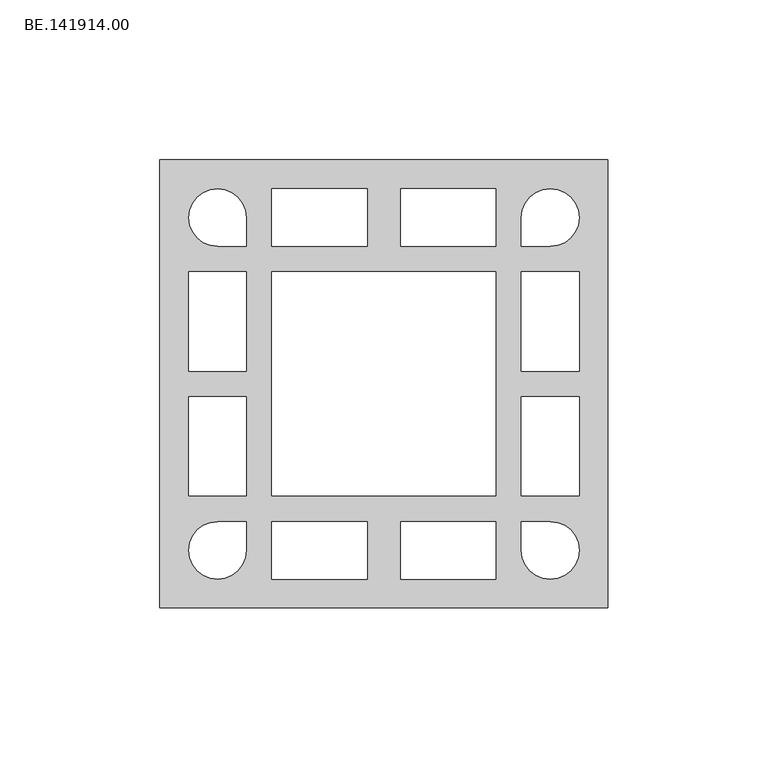
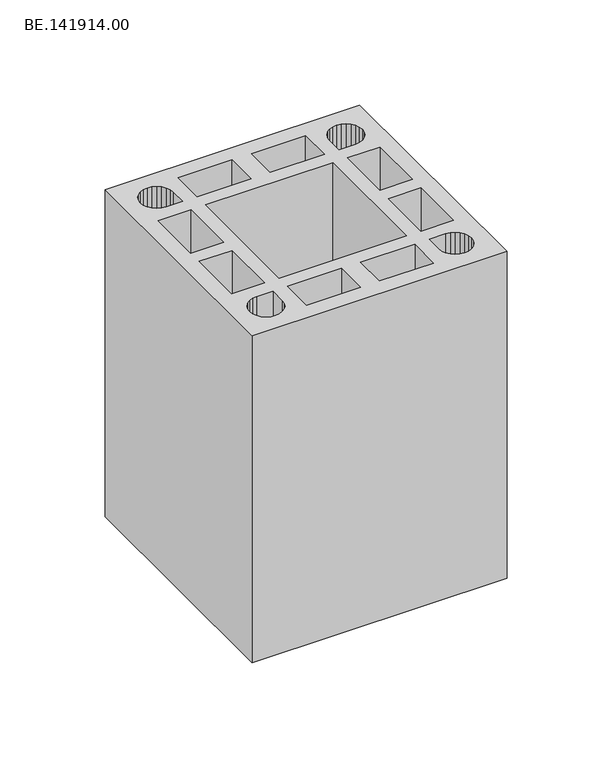
"""IFC4 building model written with IfcOpenShell, lengths in millimetres: proxy geometry, BE.141914.00."""

from ifc_helpers import new_model, si_unit, origin, origin_with_axes, place, context, project, spatial, polyline, outline, extrude, source, transform, mapped, element, save


def be_141914_00_67c03ddb(model_context):
    return source(origin(), model_context, "Body", "SweptSolid", [
        extrude(outline(polyline([(145.0, 70.0050293), (145.0, -70.0050293), (5.0, -70.0050293), (5.0, 70.0050293), (145.0, 70.0050293)]), holes=[polyline([(29.352002, 58.3592285), (27.4916504, 59.7916992), (25.3150391, 60.7032715), (22.9895996, 61.0009277), (20.6641602, 60.7032715), (18.4875488, 59.7916992), (16.6271973, 58.3592285), (15.1947266, 56.498877), (14.3017578, 54.3408691), (13.985498, 51.9968262), (14.3017578, 49.6713867), (15.1947266, 47.4947754), (16.6271973, 45.6344238), (18.4875488, 44.2019531), (20.6641602, 43.3089844), (22.9895996, 43.0113281), (31.9937012, 43.0113281), (31.9937012, 51.9968262), (31.6774414, 54.3408691), (30.7844727, 56.498877), (29.352002, 58.3592285)]), polyline([(69.7402344, 61.0009277), (39.9932129, 61.0009277), (39.9932129, 43.0113281), (69.7402344, 43.0113281), (69.7402344, 61.0009277)]), polyline([(110.0, 61.0009277), (80.2529785, 61.0009277), (80.2529785, 43.0113281), (110.0, 43.0113281), (110.0, 61.0009277)]), polyline([(119.1885254, 56.498877), (118.2955566, 54.3408691), (117.9979004, 51.9968262), (117.9979004, 43.0113281), (126.9833984, 43.0113281), (129.3274414, 43.3089844), (131.4854492, 44.2019531), (133.3458008, 45.6344238), (134.7782715, 47.4947754), (135.6898438, 49.6713867), (135.9875, 51.9968262), (135.6898438, 54.3408691), (134.7782715, 56.498877), (133.3458008, 58.3592285), (131.4854492, 59.7916992), (129.3274414, 60.7032715), (126.9833984, 61.0009277), (124.657959, 60.7032715), (122.4999512, 59.7916992), (120.6209961, 58.3592285), (119.1885254, 56.498877)]), polyline([(110.0, 35.0118164), (39.9932129, 35.0118164), (39.9932129, -34.9932129), (110.0, -34.9932129), (110.0, 35.0118164)]), polyline([(117.9979004, 35.0118164), (117.9979004, 3.9997559), (135.9875, 3.9997559), (135.9875, 35.0118164), (117.9979004, 35.0118164)]), polyline([(29.352002, -58.3592285), (30.7844727, -56.498877), (31.6774414, -54.3408691), (31.9937012, -51.9968262), (31.9937012, -43.0113281), (22.9895996, -43.0113281), (20.6641602, -43.3089844), (18.4875488, -44.2019531), (16.6271973, -45.6344238), (15.1947266, -47.4947754), (14.3017578, -49.6713867), (13.985498, -51.9968262), (14.3017578, -54.3408691), (15.1947266, -56.498877), (16.6271973, -58.3592285), (18.4875488, -59.7916992), (20.6641602, -60.7032715), (22.9895996, -61.0009277), (25.3150391, -60.7032715), (27.4916504, -59.7916992), (29.352002, -58.3592285)]), polyline([(69.7402344, -61.0009277), (69.7402344, -43.0113281), (39.9932129, -43.0113281), (39.9932129, -61.0009277), (69.7402344, -61.0009277)]), polyline([(110.0, -61.0009277), (110.0, -43.0113281), (80.2529785, -43.0113281), (80.2529785, -61.0009277), (110.0, -61.0009277)]), polyline([(119.1885254, -56.498877), (120.6209961, -58.3592285), (122.4999512, -59.7916992), (124.657959, -60.7032715), (126.9833984, -61.0009277), (129.3274414, -60.7032715), (131.4854492, -59.7916992), (133.3458008, -58.3592285), (134.7782715, -56.498877), (135.6898438, -54.3408691), (135.9875, -51.9968262), (135.6898438, -49.6713867), (134.7782715, -47.4947754), (133.3458008, -45.6344238), (131.4854492, -44.2019531), (129.3274414, -43.3089844), (126.9833984, -43.0113281), (117.9979004, -43.0113281), (117.9979004, -51.9968262), (118.2955566, -54.3408691), (119.1885254, -56.498877)]), polyline([(117.9979004, -35.0118164), (135.9875, -35.0118164), (135.9875, -3.9997559), (117.9979004, -3.9997559), (117.9979004, -35.0118164)]), polyline([(32.0020996, 35.0118164), (14.0125, 35.0118164), (14.0125, 3.9997559), (32.0020996, 3.9997559), (32.0020996, 35.0118164)]), polyline([(32.0020996, -35.0118164), (32.0020996, -3.9997559), (14.0125, -3.9997559), (14.0125, -35.0118164), (32.0020996, -35.0118164)])]), origin_with_axes(), (0.0, 0.0, 1.0), 190.0),
    ])


if __name__ == "__main__":
    model = new_model("IFC4")
    model_context = context("Model", 3, world=origin())
    ifc_project = project(units=[si_unit("LENGTHUNIT", "METRE", prefix="MILLI")], contexts=[model_context])
    site = spatial("IfcSite", under=ifc_project)
    building = spatial("IfcBuilding", under=site)
    placement = place(None, origin())
    be_141914_00_shape = be_141914_00_67c03ddb(model_context)
    element("IfcBuildingElementProxy", 1, Name="BE.141914.00", ObjectType="BE.141914.00", at=placement, inside=building, context=model_context, shape_type="MappedRepresentation", body=[
        mapped(be_141914_00_shape, transform((0.0, 0.0, 0.0), x_axis=(1.0, 0.0, 0.0), y_axis=(0.0, 1.0, 0.0), z_axis=(0.0, 0.0, 1.0))),
    ])
    save(model, "model.ifc")
